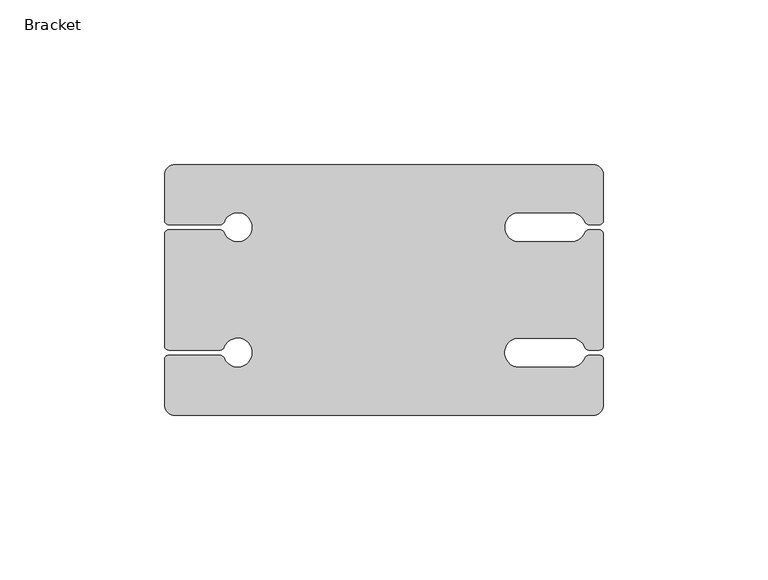
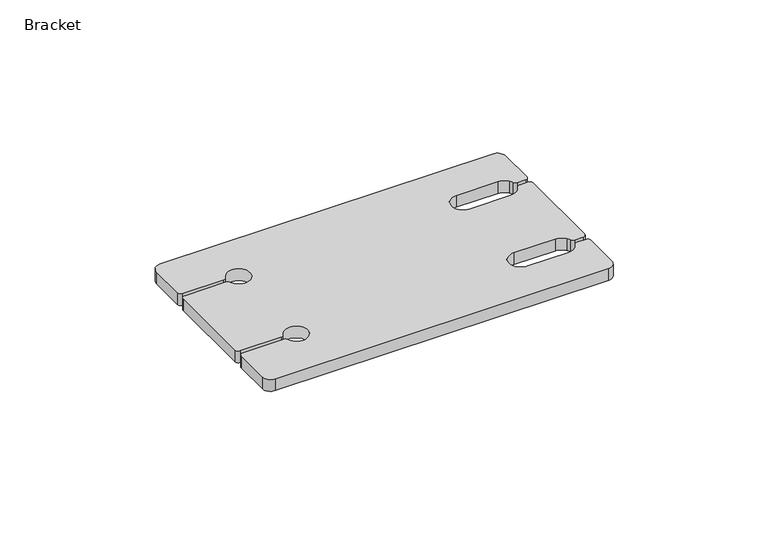
"""IFC4 building model written with IfcOpenShell, lengths in millimetres: furniture geometry, Bracket."""

from ifc_helpers import new_model, si_unit, point, frame_2d, origin, origin_with_axes, place, context, project, spatial, polyline, circle_curve, trimmed, segment, composite_curve, outline, extrude, source, transform, mapped, element, save


def bracket_4edc95c0(model_context):
    return source(origin(), model_context, "Body", "SweptSolid", [
        extrude(outline(composite_curve([segment(polyline([(-220.3088033, -254.0), (-93.3591553, -254.0)]), True, "CONTINUOUS"), segment(trimmed(circle_curve(frame_2d((-93.3591553, -257.175)), 3.175), [point((-93.3591553, -254.0))], [point((-90.1841553, -257.175))], False, "CARTESIAN"), True, "CONTINUOUS"), segment(polyline([(-90.1841553, -257.175), (-90.1841553, -270.9932909)]), True, "CONTINUOUS"), segment(trimmed(circle_curve(frame_2d((-91.4471152, -270.9932909)), 1.2629598), [point((-90.1841553, -270.9932909))], [point((-91.4471152, -272.2562508))], False, "CARTESIAN"), True, "CONTINUOUS"), segment(polyline([(-91.4471152, -272.2562508), (-94.5542186, -272.2562508)]), True, "CONTINUOUS"), segment(trimmed(circle_curve(frame_2d((-94.5542186, -270.9122922)), 1.3439586), [point((-94.5542186, -272.2562508))], [point((-95.8034174, -271.4080007))], False, "CARTESIAN"), True, "CONTINUOUS"), segment(trimmed(circle_curve(frame_2d((-99.9442898, -273.0511867)), 4.4549842), [point((-95.8034174, -271.4080007))], [point((-96.4706895, -270.2617449))], True, "CARTESIAN"), True, "CONTINUOUS"), segment(trimmed(circle_curve(frame_2d((-99.9363717, -273.0448281)), 4.444829), [point((-96.4706895, -270.2617449))], [point((-99.9363717, -268.5999991))], True, "CARTESIAN"), True, "CONTINUOUS"), segment(polyline([(-99.9363717, -268.5999991), (-115.7802035, -268.5999991)]), True, "CONTINUOUS"), segment(trimmed(circle_curve(frame_2d((-115.7802035, -273.0499994)), 4.4500003), [point((-115.7802035, -268.5999991))], [point((-115.7802035, -277.4999998))], True, "CARTESIAN"), True, "CONTINUOUS"), segment(polyline([(-115.7802035, -277.4999998), (-99.9363717, -277.4999998)]), True, "CONTINUOUS"), segment(trimmed(circle_curve(frame_2d((-99.9363717, -273.0511867)), 4.4488131), [point((-99.9363717, -277.4999998))], [point((-96.4706895, -275.8406284))], True, "CARTESIAN"), True, "CONTINUOUS"), segment(trimmed(circle_curve(frame_2d((-99.9963383, -273.0511867)), 4.4956852), [point((-96.4706895, -275.8406284))], [point((-95.8132711, -274.6983459))], True, "CARTESIAN"), True, "CONTINUOUS"), segment(trimmed(circle_curve(frame_2d((-94.5582955, -275.1925155)), 1.3487651), [point((-95.8132711, -274.6983459))], [point((-94.5582955, -273.8437504))], False, "CARTESIAN"), True, "CONTINUOUS"), segment(polyline([(-94.5582955, -273.8437504), (-91.4797835, -273.8437504)]), True, "CONTINUOUS"), segment(trimmed(circle_curve(frame_2d((-91.4797835, -275.1393786)), 1.2956282), [point((-91.4797835, -273.8437504))], [point((-90.1841553, -275.1393786))], False, "CARTESIAN"), True, "CONTINUOUS"), segment(polyline([(-90.1841553, -275.1393786), (-90.1841553, -309.0906552)]), True, "CONTINUOUS"), segment(trimmed(circle_curve(frame_2d((-91.4497497, -309.0906552)), 1.2655944), [point((-90.1841553, -309.0906552))], [point((-91.4497497, -310.3562496))], False, "CARTESIAN"), True, "CONTINUOUS"), segment(polyline([(-91.4497497, -310.3562496), (-94.6016455, -310.3562496)]), True, "CONTINUOUS"), segment(trimmed(circle_curve(frame_2d((-94.6016455, -309.012291)), 1.3439586), [point((-94.6016455, -310.3562496))], [point((-95.8508443, -309.5079996))], False, "CARTESIAN"), True, "CONTINUOUS"), segment(trimmed(circle_curve(frame_2d((-99.9917167, -311.1511855)), 4.4549842), [point((-95.8508443, -309.5079996))], [point((-96.5181164, -308.3617438))], True, "CARTESIAN"), True, "CONTINUOUS"), segment(trimmed(circle_curve(frame_2d((-99.9837986, -311.144827)), 4.444829), [point((-96.5181164, -308.3617438))], [point((-99.9837986, -306.699998))], True, "CARTESIAN"), True, "CONTINUOUS"), segment(polyline([(-99.9837986, -306.699998), (-115.8276305, -306.699998)]), True, "CONTINUOUS"), segment(trimmed(circle_curve(frame_2d((-115.8276305, -311.1499983)), 4.4500003), [point((-115.8276305, -306.699998))], [point((-115.8276305, -315.5999986))], True, "CARTESIAN"), True, "CONTINUOUS"), segment(polyline([(-115.8276305, -315.5999986), (-99.9837986, -315.5999986)]), True, "CONTINUOUS"), segment(trimmed(circle_curve(frame_2d((-99.9837986, -311.1511855)), 4.4488131), [point((-99.9837986, -315.5999986))], [point((-96.5181164, -313.9406272))], True, "CARTESIAN"), True, "CONTINUOUS"), segment(trimmed(circle_curve(frame_2d((-100.0437653, -311.1511855)), 4.4956852), [point((-96.5181164, -313.9406272))], [point((-95.8606981, -312.7983448))], True, "CARTESIAN"), True, "CONTINUOUS"), segment(trimmed(circle_curve(frame_2d((-94.6057225, -313.2925143)), 1.3487651), [point((-95.8606981, -312.7983448))], [point((-94.6057225, -311.9437492))], False, "CARTESIAN"), True, "CONTINUOUS"), segment(polyline([(-94.6057225, -311.9437492), (-91.4413072, -311.9437492)]), True, "CONTINUOUS"), segment(trimmed(circle_curve(frame_2d((-91.4413072, -313.2009011)), 1.2571518), [point((-91.4413072, -311.9437492))], [point((-90.1841553, -313.2009011))], False, "CARTESIAN"), True, "CONTINUOUS"), segment(polyline([(-90.1841553, -313.2009011), (-90.1841553, -327.025)]), True, "CONTINUOUS"), segment(trimmed(circle_curve(frame_2d((-93.3591553, -327.025)), 3.175), [point((-90.1841553, -327.025))], [point((-93.3591553, -330.2))], False, "CARTESIAN"), True, "CONTINUOUS"), segment(polyline([(-93.3591553, -330.2), (-220.3591553, -330.2)]), True, "CONTINUOUS"), segment(trimmed(circle_curve(frame_2d((-220.3591553, -327.025)), 3.175), [point((-220.3591553, -330.2))], [point((-223.5341553, -327.025))], False, "CARTESIAN"), True, "CONTINUOUS"), segment(polyline([(-223.5341553, -327.025), (-223.5341553, -313.2376142)]), True, "CONTINUOUS"), segment(trimmed(circle_curve(frame_2d((-222.2402903, -313.2376142)), 1.293865), [point((-223.5341553, -313.2376142))], [point((-222.2402903, -311.9437492))], False, "CARTESIAN"), True, "CONTINUOUS"), segment(polyline([(-222.2402903, -311.9437492), (-206.6721393, -311.9437492)]), True, "CONTINUOUS"), segment(trimmed(circle_curve(frame_2d((-206.6721393, -313.233593)), 1.2898437), [point((-206.6721393, -311.9437492))], [point((-205.4701555, -312.7656915))], False, "CARTESIAN"), True, "CONTINUOUS"), segment(trimmed(circle_curve(frame_2d((-201.3196324, -311.1499994)), 4.4539088), [point((-205.4701555, -312.7656915))], [point((-205.4780815, -309.554818))], True, "CARTESIAN"), True, "CONTINUOUS"), segment(trimmed(circle_curve(frame_2d((-206.6438845, -309.1076158)), 1.2486338), [point((-205.4780815, -309.554818))], [point((-206.6438845, -310.3562496))], False, "CARTESIAN"), True, "CONTINUOUS"), segment(polyline([(-206.6438845, -310.3562496), (-222.2932611, -310.3562496)]), True, "CONTINUOUS"), segment(trimmed(circle_curve(frame_2d((-222.2932611, -309.1153554)), 1.2408942), [point((-222.2932611, -310.3562496))], [point((-223.5341553, -309.1153554))], False, "CARTESIAN"), True, "CONTINUOUS"), segment(polyline([(-223.5341553, -309.1153554), (-223.5341553, -275.0983258)]), True, "CONTINUOUS"), segment(trimmed(circle_curve(frame_2d((-222.2795799, -275.0983258)), 1.2545755), [point((-223.5341553, -275.0983258))], [point((-222.2795799, -273.8437504))], False, "CARTESIAN"), True, "CONTINUOUS"), segment(polyline([(-222.2795799, -273.8437504), (-206.6574733, -273.8437504)]), True, "CONTINUOUS"), segment(trimmed(circle_curve(frame_2d((-206.6574733, -275.1335941)), 1.2898438), [point((-206.6574733, -273.8437504))], [point((-205.4554895, -274.6656927))], False, "CARTESIAN"), True, "CONTINUOUS"), segment(trimmed(circle_curve(frame_2d((-201.3049663, -273.0500006)), 4.4539088), [point((-205.4554895, -274.6656927))], [point((-205.4634155, -271.4548191))], True, "CARTESIAN"), True, "CONTINUOUS"), segment(trimmed(circle_curve(frame_2d((-206.6292185, -271.007617)), 1.2486338), [point((-205.4634155, -271.4548191))], [point((-206.6292185, -272.2562508))], False, "CARTESIAN"), True, "CONTINUOUS"), segment(polyline([(-206.6292185, -272.2562508), (-222.2767966, -272.2562508)]), True, "CONTINUOUS"), segment(trimmed(circle_curve(frame_2d((-222.2767966, -270.998892)), 1.2573588), [point((-222.2767966, -272.2562508))], [point((-223.5341553, -270.998892))], False, "CARTESIAN"), True, "CONTINUOUS"), segment(polyline([(-223.5341553, -270.998892), (-223.5341553, -257.225352)]), True, "CONTINUOUS"), segment(trimmed(circle_curve(frame_2d((-220.3088033, -257.225352)), 3.225352), [point((-223.5341553, -257.225352))], [point((-220.3088033, -254.0))], False, "CARTESIAN"), True, "CONTINUOUS")], self_intersect=False)), origin_with_axes(), (0.0, 0.0, 1.0), 4.7625),
    ])


if __name__ == "__main__":
    model = new_model("IFC4")
    model_context = context("Model", 3, world=origin())
    ifc_project = project(units=[si_unit("LENGTHUNIT", "METRE", prefix="MILLI")], contexts=[model_context])
    site = spatial("IfcSite", under=ifc_project)
    building = spatial("IfcBuilding", under=site)
    placement = place(None, origin())
    bracket_shape = bracket_4edc95c0(model_context)
    element("IfcFurniture", 1, ObjectType="Bracket", at=placement, inside=building, context=model_context, shape_type="MappedRepresentation", body=[
        mapped(bracket_shape, transform((0.0, 0.0, 0.0), x_axis=(1.0, 0.0, 0.0), y_axis=(0.0, 1.0, 0.0), z_axis=(0.0, 0.0, 1.0))),
    ])
    save(model, "model.ifc")
